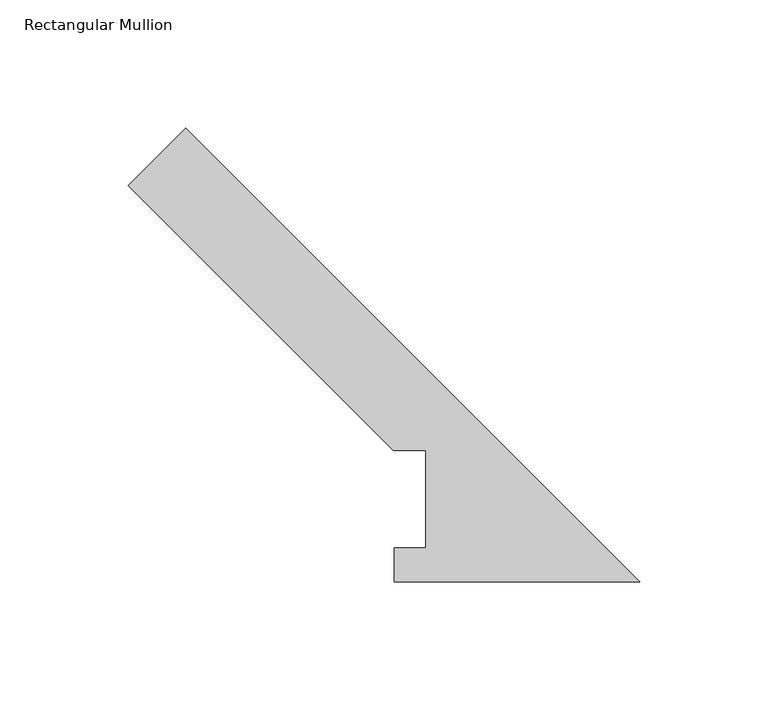
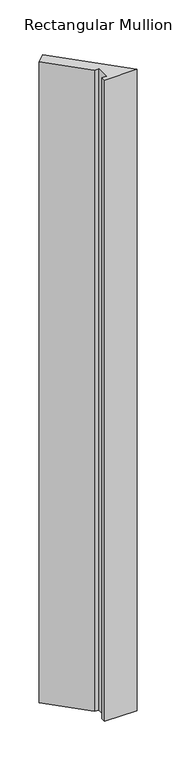
"""IFC4 building model written with IfcOpenShell, lengths in millimetres: member geometry, Rectangular Mullion."""

from ifc_helpers import new_model, si_unit, frame, origin, place, context, project, spatial, polyline, outline, extrude, source, transform, mapped, element, save


def rectangular_mullion_9b0051b0(model_context):
    return source(origin(), model_context, "Body", "SweptSolid", [
        extrude(outline(polyline([(-199.4709459, 154.5869997), (-177.0203056, 177.03764), (0.0, 0.0173344), (-95.7961125, 0.0173344), (-95.7961125, 13.1903275), (-83.48004, 13.1903275), (-83.48004, 51.2960938), (-96.18004, 51.2960938), (-199.4709459, 154.5869997)])), frame((0.0, 0.0, -1993.9000001), z_axis=(0.0, 0.0, 1.0), x_axis=(1.0, 0.0, 0.0)), (0.0, 0.0, 1.0), 1993.9000001),
    ])


if __name__ == "__main__":
    model = new_model("IFC4")
    model_context = context("Model", 3, world=origin())
    ifc_project = project(units=[si_unit("LENGTHUNIT", "METRE", prefix="MILLI")], contexts=[model_context])
    site = spatial("IfcSite", under=ifc_project)
    building = spatial("IfcBuilding", under=site)
    placement = place(None, origin())
    rectangular_mullion_shape = rectangular_mullion_9b0051b0(model_context)
    element("IfcMember", 1, ObjectType="Rectangular Mullion", at=placement, inside=building, context=model_context, shape_type="MappedRepresentation", body=[
        mapped(rectangular_mullion_shape, transform((0.0, 0.0, 0.0), x_axis=(1.0, 0.0, 0.0), y_axis=(0.0, 1.0, 0.0), z_axis=(0.0, 0.0, 1.0))),
    ])
    save(model, "model.ifc")
